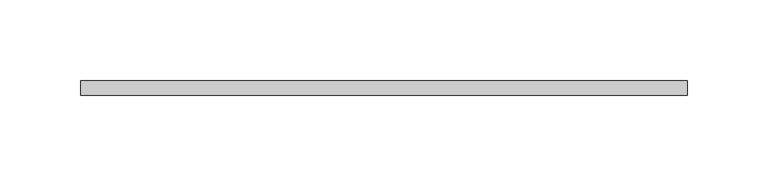
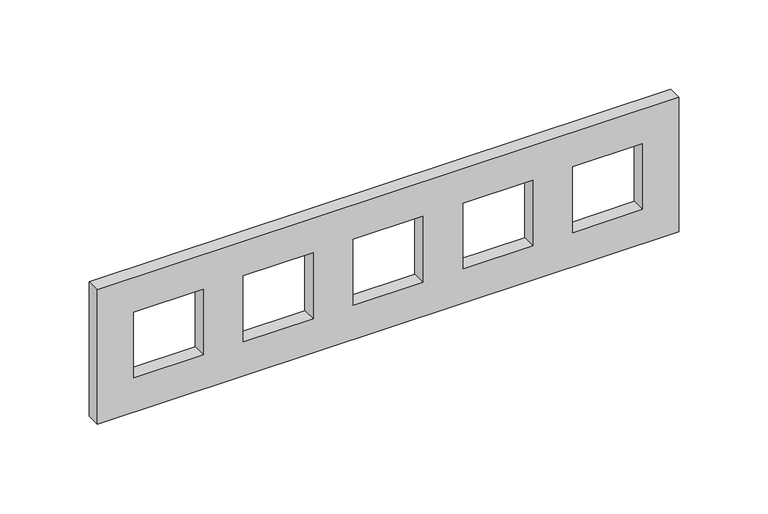
"""IFC4 building model written with IfcOpenShell, lengths in millimetres: proxy geometry."""

from ifc_helpers import new_model, si_unit, frame, origin, place, context, project, spatial, polyline, outline, extrude, source, transform, mapped, element, save


def electrical_fixtures_9dd6313c(model_context):
    return source(origin(), model_context, "Body", "SweptSolid", [
        extrude(outline(polyline([(46.0, 188.0), (46.0, -188.0), (-46.0, -188.0), (-46.0, 188.0), (46.0, 188.0)]), holes=[polyline([(22.5, -119.5), (-22.5, -119.5), (-22.5, -164.5), (22.5, -164.5), (22.5, -119.5)]), polyline([(22.5, -48.5), (-22.5, -48.5), (-22.5, -93.5), (22.5, -93.5), (22.5, -48.5)]), polyline([(22.5, 22.5), (-22.5, 22.5), (-22.5, -22.5), (22.5, -22.5), (22.5, 22.5)]), polyline([(22.5, 93.5), (-22.5, 93.5), (-22.5, 48.5), (22.5, 48.5), (22.5, 93.5)]), polyline([(22.5, 164.5), (-22.5, 164.5), (-22.5, 119.5), (22.5, 119.5), (22.5, 164.5)])]), frame((0.0, 0.0, 0.0), z_axis=(0.0, 1.0, 0.0), x_axis=(0.0, 0.0, 1.0)), (0.0, 0.0, 1.0), 9.0),
    ])


if __name__ == "__main__":
    model = new_model("IFC4")
    model_context = context("Model", 3, world=origin())
    ifc_project = project(units=[si_unit("LENGTHUNIT", "METRE", prefix="MILLI")], contexts=[model_context])
    site = spatial("IfcSite", under=ifc_project)
    building = spatial("IfcBuilding", under=site)
    placement = place(None, origin())
    electrical_fixtures_shape = electrical_fixtures_9dd6313c(model_context)
    element("IfcBuildingElementProxy", 1, Name="Electrical Fixtures", at=placement, inside=building, context=model_context, shape_type="MappedRepresentation", body=[
        mapped(electrical_fixtures_shape, transform((0.0, 0.0, 0.0), x_axis=(1.0, 0.0, 0.0), y_axis=(0.0, 1.0, 0.0), z_axis=(0.0, 0.0, 1.0))),
    ])
    save(model, "model.ifc")
